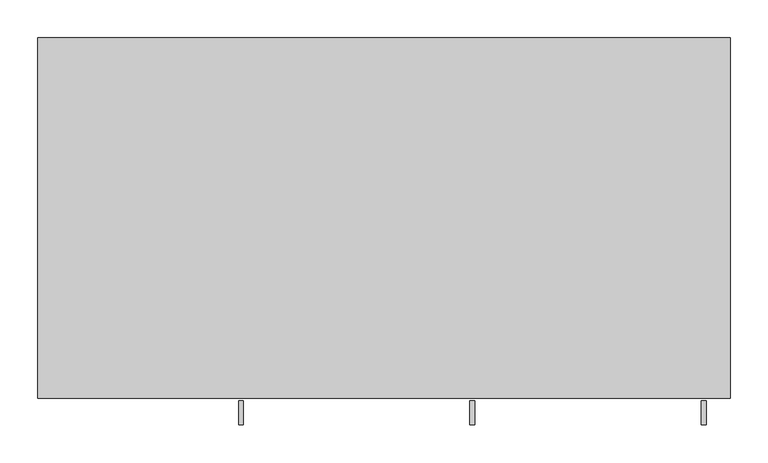
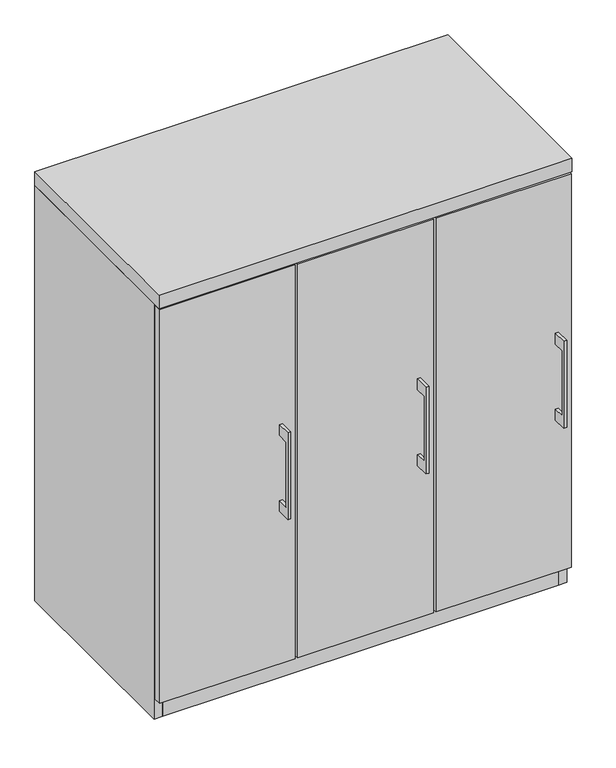
"""IFC4 building model written with IfcOpenShell, lengths in millimetres: furniture geometry."""

from ifc_helpers import new_model, si_unit, frame, origin, origin_with_axes, place, context, project, spatial, polyline, outline, extrude, source, transform, mapped, element, save


def furniture_e0a80cac(model_context):
    return source(origin(), model_context, "Body", "SweptSolid", [
        extrude(outline(polyline([(-479.425, 584.2), (-504.8249758, 584.2), (-504.8249758, 431.8), (-479.425, 431.8), (-479.425, 406.4), (-511.1749879, 406.4), (-511.1749879, 609.6), (-479.425, 609.6), (-479.425, 584.2)])), frame((113.5062621, 0.0, 0.0), z_axis=(1.0, 0.0, 0.0), x_axis=(0.0, 1.0, 0.0)), (0.0, 0.0, 1.0), 6.3499758),
        extrude(outline(polyline([(150.01875, -476.25), (-150.01875, -476.25), (-150.01875, -457.2), (150.01875, -457.2), (150.01875, -476.25)])), frame((0.0, 0.0, 47.625), z_axis=(0.0, 0.0, 1.0), x_axis=(1.0, 0.0, 0.0)), (0.0, 0.0, 1.0), 920.75),
        extrude(outline(polyline([(-479.425, 584.2), (-504.8249758, 584.2), (-504.8249758, 431.8), (-479.425, 431.8), (-479.425, 406.4), (-511.1749879, 406.4), (-511.1749879, 609.6), (-479.425, 609.6), (-479.425, 584.2)])), frame((419.1000121, 0.0, 0.0), z_axis=(1.0, 0.0, 0.0), x_axis=(0.0, 1.0, 0.0)), (0.0, 0.0, 1.0), 6.3499758),
        extrude(outline(polyline([(455.6125, -476.25), (155.575, -476.25), (155.575, -457.2), (455.6125, -457.2), (455.6125, -476.25)])), frame((0.0, 0.0, 47.625), z_axis=(0.0, 0.0, 1.0), x_axis=(1.0, 0.0, 0.0)), (0.0, 0.0, 1.0), 920.75),
        extrude(outline(polyline([(-479.425, 584.2), (-504.8249758, 584.2), (-504.8249758, 431.8), (-479.425, 431.8), (-479.425, 406.4), (-511.1749879, 406.4), (-511.1749879, 609.6), (-479.425, 609.6), (-479.425, 584.2)])), frame((-192.0874879, 0.0, 0.0), z_axis=(1.0, 0.0, 0.0), x_axis=(0.0, 1.0, 0.0)), (0.0, 0.0, 1.0), 6.3499758),
        extrude(outline(polyline([(-155.575, -476.25), (-455.6125, -476.25), (-455.6125, -457.2), (-155.575, -457.2), (-155.575, -476.25)])), frame((0.0, 0.0, 47.625), z_axis=(0.0, 0.0, 1.0), x_axis=(1.0, 0.0, 0.0)), (0.0, 0.0, 1.0), 920.75),
        extrude(outline(polyline([(-136.525, -19.05), (-136.525, -457.2), (-155.575, -457.2), (-155.575, -19.05), (-136.525, -19.05)])), frame((0.0, 0.0, 47.625), z_axis=(0.0, 0.0, 1.0), x_axis=(1.0, 0.0, 0.0)), (0.0, 0.0, 1.0), 923.925),
        extrude(outline(polyline([(155.575, -19.05), (155.575, -457.2), (136.525, -457.2), (136.525, -19.05), (155.575, -19.05)])), frame((0.0, 0.0, 47.625), z_axis=(0.0, 0.0, 1.0), x_axis=(1.0, 0.0, 0.0)), (0.0, 0.0, 1.0), 923.925),
        extrude(outline(polyline([(438.15, -19.05), (438.15, -457.2), (-438.15, -457.2), (-438.15, -19.05), (438.15, -19.05)])), origin_with_axes(), (0.0, 0.0, 1.0), 47.625),
        extrude(outline(polyline([(457.2, 0.0), (457.2, -476.25), (-457.2, -476.25), (-457.2, 0.0), (457.2, 0.0)])), frame((0.0, 0.0, 971.55), z_axis=(0.0, 0.0, 1.0), x_axis=(1.0, 0.0, 0.0)), (0.0, 0.0, 1.0), 31.75),
        extrude(outline(polyline([(457.2, 0.0), (457.2, -457.2), (438.15, -457.2), (438.15, -19.05), (-438.15, -19.05), (-438.15, -457.2), (-457.2, -457.2), (-457.2, 0.0), (457.2, 0.0)])), origin_with_axes(), (0.0, 0.0, 1.0), 971.55),
    ])


if __name__ == "__main__":
    model = new_model("IFC4")
    model_context = context("Model", 3, world=origin())
    ifc_project = project(units=[si_unit("LENGTHUNIT", "METRE", prefix="MILLI")], contexts=[model_context])
    site = spatial("IfcSite", under=ifc_project)
    building = spatial("IfcBuilding", under=site)
    placement = place(None, origin())
    furniture_shape = furniture_e0a80cac(model_context)
    element("IfcFurniture", 1, at=placement, inside=building, context=model_context, shape_type="MappedRepresentation", body=[
        mapped(furniture_shape, transform((0.0, 0.0, 0.0), x_axis=(1.0, 0.0, 0.0), y_axis=(0.0, 1.0, 0.0), z_axis=(0.0, 0.0, 1.0))),
    ])
    save(model, "model.ifc")
